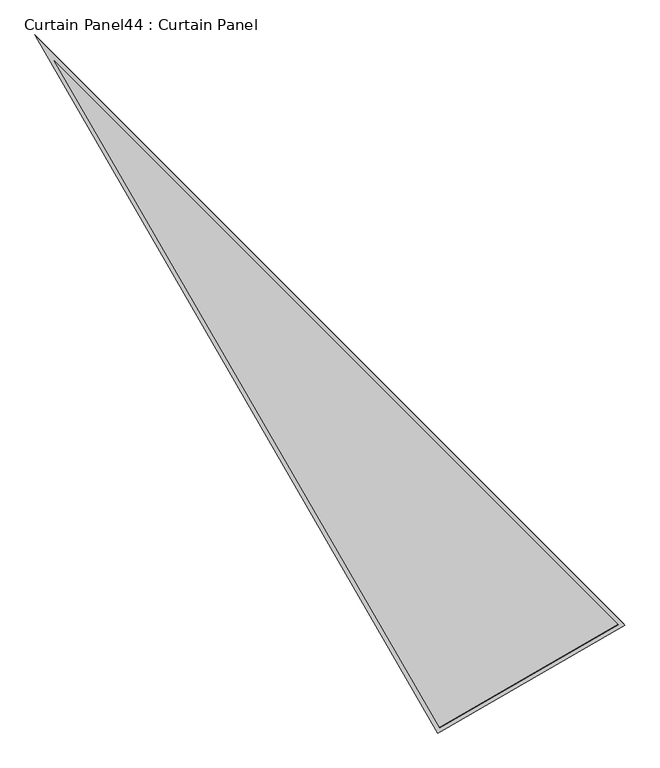
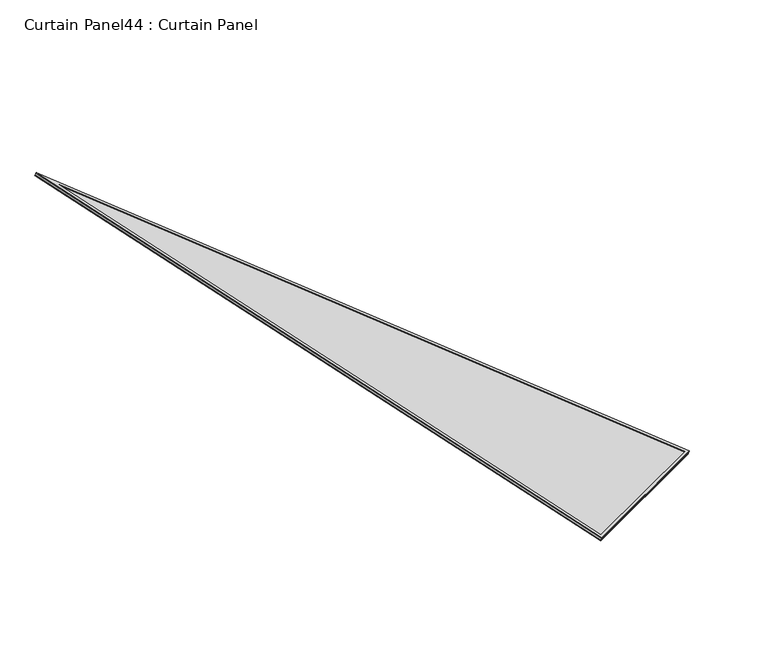
"""IFC4 building model written with IfcOpenShell, lengths in millimetres: plate geometry, Curtain Panel44 : Curtain Panel."""

from ifc_helpers import new_model, si_unit, frame, origin, place, context, project, spatial, polyline, outline, extrude, source, transform, mapped, element, save


def curtain_panel44_curtain_panel_9b17e779(model_context):
    return source(origin(), model_context, "Body", "SweptSolid", [
        extrude(outline(polyline([(895.9175529, 0.0), (895.9175529, -3524.3727629), (0.0, 0.0), (895.9175529, 0.0)]), holes=[polyline([(879.254755, -16.6627979), (21.4285394, -16.6627979), (879.254755, -3391.1913356), (879.254755, -16.6627979)])]), frame((17146.0283051, -3542.801029, 898.7004963), z_axis=(0.15807291198690213, -0.2737903148616823, 0.9487106081329133), x_axis=(-0.8660254037844451, -0.49999999999998884, 0.0)), (0.0, 0.0, 1.0), 4.8313962),
        extrude(outline(polyline([(895.9175529, 0.0), (895.917553, -3524.3727628), (0.0, 0.0), (895.9175529, 0.0)]), holes=[polyline([(885.6047551, -10.3127979), (13.2623702, -10.3127978), (885.6047551, -3441.9452407), (885.6047551, -10.3127979)])]), frame((17143.2418971, -3537.9748287, 881.9772337), z_axis=(0.15807291198690307, -0.2737903148616841, 0.9487106081329126), x_axis=(-0.866025403784445, -0.4999999999999891, 0.0)), (0.0, 0.0, 1.0), 4.77096),
        extrude(outline(polyline([(20.2034565, 0.0), (916.1210096, 0.0), (916.1210095, -3524.3727628), (20.2034565, 0.0)])), frame((17161.4927633, -3529.1793431, 886.5034941), z_axis=(0.15807291198690065, -0.27379031486168065, 0.948710608132914), x_axis=(-0.8660254037844424, -0.4999999999999937, 0.0)), (0.0, 0.0, 1.0), 12.8563991),
    ])


if __name__ == "__main__":
    model = new_model("IFC4")
    model_context = context("Model", 3, world=origin())
    ifc_project = project(units=[si_unit("LENGTHUNIT", "METRE", prefix="MILLI")], contexts=[model_context])
    site = spatial("IfcSite", under=ifc_project)
    building = spatial("IfcBuilding", under=site)
    placement = place(None, origin())
    curtain_panel44_curtain_panel_shape = curtain_panel44_curtain_panel_9b17e779(model_context)
    element("IfcPlate", 1, ObjectType="Curtain Panel44 : Curtain Panel", at=placement, inside=building, context=model_context, shape_type="MappedRepresentation", body=[
        mapped(curtain_panel44_curtain_panel_shape, transform((0.0, 0.0, 0.0), x_axis=(1.0, 0.0, 0.0), y_axis=(0.0, 1.0, 0.0), z_axis=(0.0, 0.0, 1.0))),
    ])
    save(model, "model.ifc")
